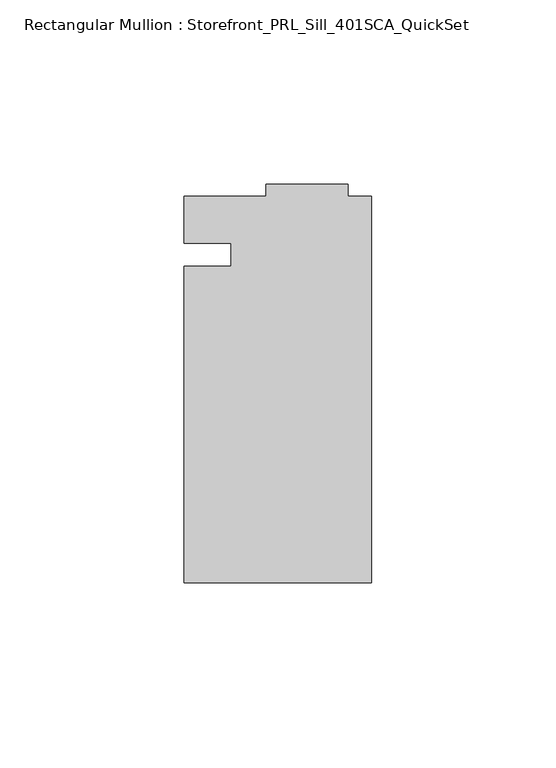
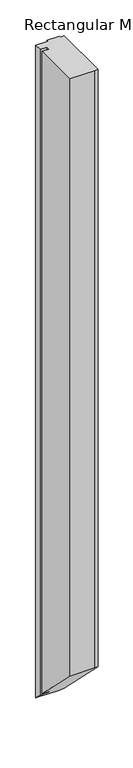
"""IFC4 building model written with IfcOpenShell, lengths in millimetres: member geometry, Rectangular Mullion : Storefront_PRL_Sill_401SCA_QuickSet."""

from ifc_helpers import new_model, si_unit, origin, place, context, project, spatial, faceted_brep, source, transform, mapped, element, save


def rectangular_mullion_storefront_prl_sill_401sca_quickset_06fe8b6c(model_context):
    return source(origin(), model_context, "Body", "Brep", [
        faceted_brep([(-38.1, -3.175, 0.0), (-50.8, -3.175, 0.0), (-50.8, -88.9, 0.0), (-6.35, -88.9, 0.0), (0.0, -88.9, 0.0), (0.0, 15.875, 0.0), (-6.35, 15.875, 0.0), (-6.35, 19.05, 0.0), (-28.575, 19.05, 0.0), (-28.575, 15.875, 0.0), (-50.8, 15.875, 0.0), (-50.8, 3.175, 0.0), (-38.1, 3.175, 0.0), (-38.1, -3.175, -1216.025), (-50.8, -3.175, -1216.025), (-50.8, -88.9, -1130.3), (-6.35, -88.9, -1130.3), (0.0, -88.9, -1130.3), (0.0, 15.875, -1235.075), (-6.35, 15.875, -1235.075), (-6.35, 19.05, -1238.25), (-28.575, 19.05, -1238.25), (-28.575, 15.875, -1235.075), (-50.8, 15.875, -1235.075), (-50.8, 3.175, -1222.375), (-38.1, 3.175, -1222.375)], [[[0, 1, 2, 3, 4, 5, 6, 7, 8, 9, 10, 11, 12]], [[1, 0, 13, 14]], [[2, 1, 14, 15]], [[3, 2, 15, 16]], [[4, 3, 16, 17]], [[5, 4, 17, 18]], [[6, 5, 18, 19]], [[7, 6, 19, 20]], [[8, 7, 20, 21]], [[9, 8, 21, 22]], [[10, 9, 22, 23]], [[11, 10, 23, 24]], [[12, 11, 24, 25]], [[0, 12, 25, 13]], [[13, 25, 24, 23, 22, 21, 20, 19, 18, 17, 16, 15, 14]]]),
    ])


if __name__ == "__main__":
    model = new_model("IFC4")
    model_context = context("Model", 3, world=origin())
    ifc_project = project(units=[si_unit("LENGTHUNIT", "METRE", prefix="MILLI")], contexts=[model_context])
    site = spatial("IfcSite", under=ifc_project)
    building = spatial("IfcBuilding", under=site)
    placement = place(None, origin())
    rectangular_mullion_storefront_prl_sill_401sca_quickset_shape = rectangular_mullion_storefront_prl_sill_401sca_quickset_06fe8b6c(model_context)
    element("IfcMember", 1, ObjectType="Rectangular Mullion : Storefront_PRL_Sill_401SCA_QuickSet", at=placement, inside=building, context=model_context, shape_type="MappedRepresentation", body=[
        mapped(rectangular_mullion_storefront_prl_sill_401sca_quickset_shape, transform((0.0, 0.0, 0.0), x_axis=(1.0, 0.0, 0.0), y_axis=(0.0, 1.0, 0.0), z_axis=(0.0, 0.0, 1.0))),
    ])
    save(model, "model.ifc")
